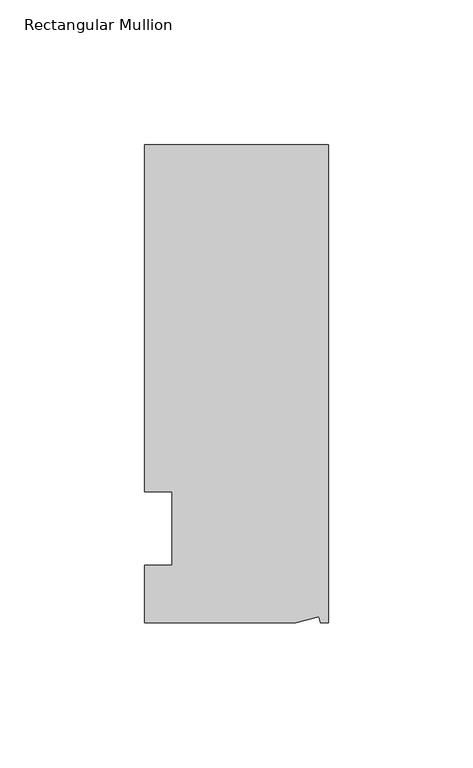
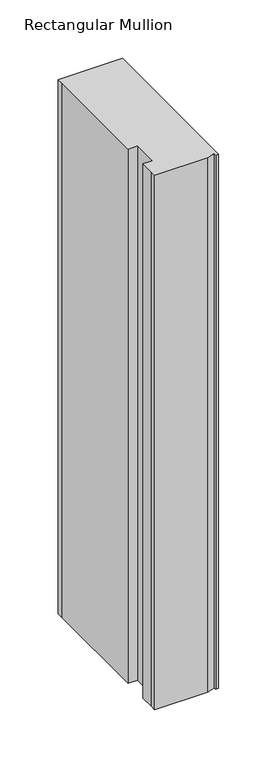
"""IFC4 building model written with IfcOpenShell, lengths in millimetres: member geometry, Rectangular Mullion."""

from ifc_helpers import new_model, si_unit, frame, origin, place, context, project, spatial, polyline, outline, extrude, source, transform, mapped, element, save


def rectangular_mullion_843160b5(model_context):
    return source(origin(), model_context, "Body", "SweptSolid", [
        extrude(outline(polyline([(0.0, 132.5561012), (0.0, -32.5438988), (-2.7616541, -32.5438988), (-3.3341886, -30.4622958), (-11.121847, -32.5438988), (-63.5, -32.5438988), (-63.5, -26.1938988), (-63.5, -12.5945801), (-53.975, -12.5945801), (-53.975, 12.8054199), (-63.5, 12.8054199), (-63.5, 126.2061012), (-63.5, 132.5561012), (0.0, 132.5561012)])), frame((0.0, 0.0, -558.8), z_axis=(0.0, 0.0, 1.0), x_axis=(1.0, 0.0, 0.0)), (0.0, 0.0, 1.0), 558.8),
    ])


if __name__ == "__main__":
    model = new_model("IFC4")
    model_context = context("Model", 3, world=origin())
    ifc_project = project(units=[si_unit("LENGTHUNIT", "METRE", prefix="MILLI")], contexts=[model_context])
    site = spatial("IfcSite", under=ifc_project)
    building = spatial("IfcBuilding", under=site)
    placement = place(None, origin())
    rectangular_mullion_shape = rectangular_mullion_843160b5(model_context)
    element("IfcMember", 1, ObjectType="Rectangular Mullion", at=placement, inside=building, context=model_context, shape_type="MappedRepresentation", body=[
        mapped(rectangular_mullion_shape, transform((0.0, 0.0, 0.0), x_axis=(1.0, 0.0, 0.0), y_axis=(0.0, 1.0, 0.0), z_axis=(0.0, 0.0, 1.0))),
    ])
    save(model, "model.ifc")
